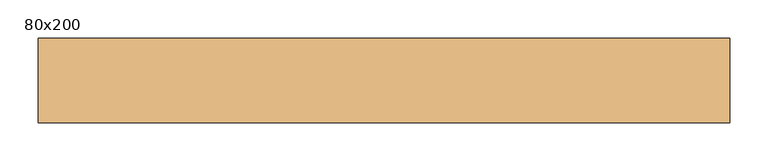
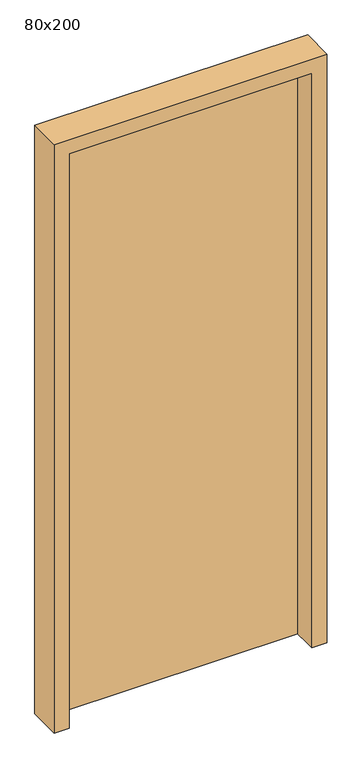
"""IFC4 building model written with IfcOpenShell, lengths in millimetres: door geometry, 80x200."""

from ifc_helpers import new_model, si_unit, frame, origin, origin_with_axes, place, context, project, spatial, polyline, outline, extrude, source, transform, mapped, element, save


def door_80x200_04f31c32(model_context):
    return source(origin(), model_context, "Body", "SweptSolid", [
        extrude(outline(polyline([(525.0, 55.0), (525.0, 25.0), (-275.0, 25.0), (-275.0, 55.0), (525.0, 55.0)])), origin_with_axes(), (0.0, 0.0, 1.0), 2000.0),
        extrude(outline(polyline([(2050.0, 575.0), (2050.0, -325.0), (0.0, -325.0), (0.0, -275.0), (2000.0, -275.0), (2000.0, 525.0), (0.0, 525.0), (0.0, 575.0), (2050.0, 575.0)])), frame((0.0, -55.0, 0.0), z_axis=(0.0, 1.0, 0.0), x_axis=(0.0, 0.0, 1.0)), (0.0, 0.0, 1.0), 110.0),
    ])


if __name__ == "__main__":
    model = new_model("IFC4")
    model_context = context("Model", 3, world=origin())
    ifc_project = project(units=[si_unit("LENGTHUNIT", "METRE", prefix="MILLI")], contexts=[model_context])
    site = spatial("IfcSite", under=ifc_project)
    building = spatial("IfcBuilding", under=site)
    placement = place(None, origin())
    door_80x200_shape = door_80x200_04f31c32(model_context)
    element("IfcDoor", 1, ObjectType="80x200", at=placement, inside=building, context=model_context, shape_type="MappedRepresentation", body=[
        mapped(door_80x200_shape, transform((0.0, 0.0, 0.0), x_axis=(1.0, 0.0, 0.0), y_axis=(0.0, 1.0, 0.0), z_axis=(0.0, 0.0, 1.0))),
    ])
    save(model, "model.ifc")
